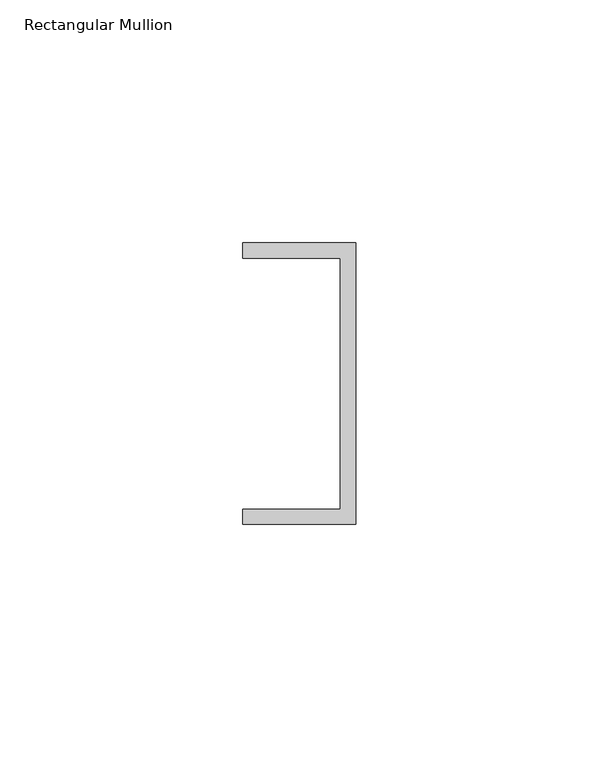
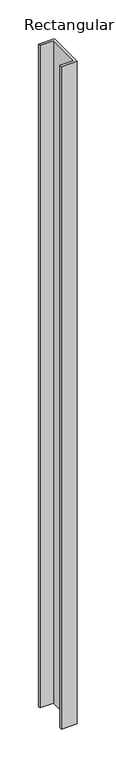
"""IFC4 building model written with IfcOpenShell, lengths in millimetres: member geometry, Rectangular Mullion."""

from ifc_helpers import new_model, si_unit, frame, origin, place, context, project, spatial, polyline, outline, extrude, source, transform, mapped, element, save


def rectangular_mullion_3afcdd40(model_context):
    return source(origin(), model_context, "Body", "SweptSolid", [
        extrude(outline(polyline([(0.0, 29.0214844), (0.0, -29.0214844), (-23.3164063, -29.0214844), (-23.3164063, -25.8464844), (-3.175, -25.8464844), (-3.175, 25.8464844), (-23.3164063, 25.8464844), (-23.3164063, 29.0214844), (0.0, 29.0214844)])), frame((0.0, 0.0, -1038.8203125), z_axis=(0.0, 0.0, 1.0), x_axis=(1.0, 0.0, 0.0)), (0.0, 0.0, 1.0), 1038.8203125),
    ])


if __name__ == "__main__":
    model = new_model("IFC4")
    model_context = context("Model", 3, world=origin())
    ifc_project = project(units=[si_unit("LENGTHUNIT", "METRE", prefix="MILLI")], contexts=[model_context])
    site = spatial("IfcSite", under=ifc_project)
    building = spatial("IfcBuilding", under=site)
    placement = place(None, origin())
    rectangular_mullion_shape = rectangular_mullion_3afcdd40(model_context)
    element("IfcMember", 1, ObjectType="Rectangular Mullion", at=placement, inside=building, context=model_context, shape_type="MappedRepresentation", body=[
        mapped(rectangular_mullion_shape, transform((0.0, 0.0, 0.0), x_axis=(1.0, 0.0, 0.0), y_axis=(0.0, 1.0, 0.0), z_axis=(0.0, 0.0, 1.0))),
    ])
    save(model, "model.ifc")
